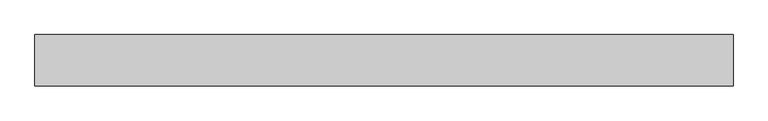
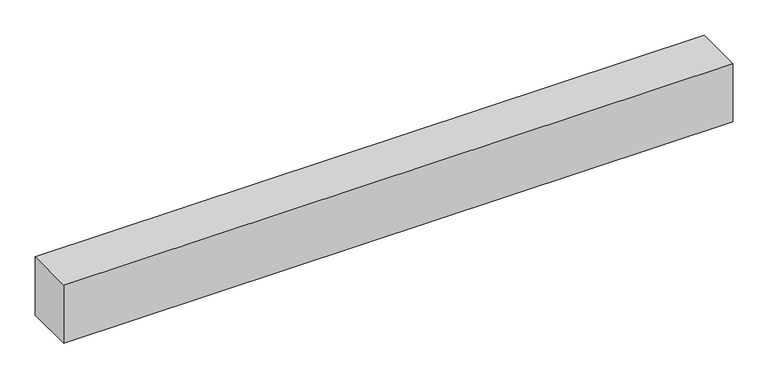
"""IFC4 building model written with IfcOpenShell, lengths in millimetres: proxy geometry."""

from ifc_helpers import new_model, si_unit, origin, origin_with_axes, place, context, project, spatial, polyline, outline, extrude, source, transform, mapped, element, save


def generic_models_41020f38(model_context):
    return source(origin(), model_context, "Body", "SweptSolid", [
        extrude(outline(polyline([(1087.8571515, -40.0), (0.0, -40.0), (0.0, 40.0), (1087.8571515, 40.0), (1087.8571515, -40.0)])), origin_with_axes(), (0.0, 0.0, 1.0), 100.0),
    ])


if __name__ == "__main__":
    model = new_model("IFC4")
    model_context = context("Model", 3, world=origin())
    ifc_project = project(units=[si_unit("LENGTHUNIT", "METRE", prefix="MILLI")], contexts=[model_context])
    site = spatial("IfcSite", under=ifc_project)
    building = spatial("IfcBuilding", under=site)
    placement = place(None, origin())
    generic_models_shape = generic_models_41020f38(model_context)
    element("IfcBuildingElementProxy", 1, Name="Generic Models", at=placement, inside=building, context=model_context, shape_type="MappedRepresentation", body=[
        mapped(generic_models_shape, transform((0.0, 0.0, 0.0), x_axis=(1.0, 0.0, 0.0), y_axis=(0.0, 1.0, 0.0), z_axis=(0.0, 0.0, 1.0))),
    ])
    save(model, "model.ifc")
